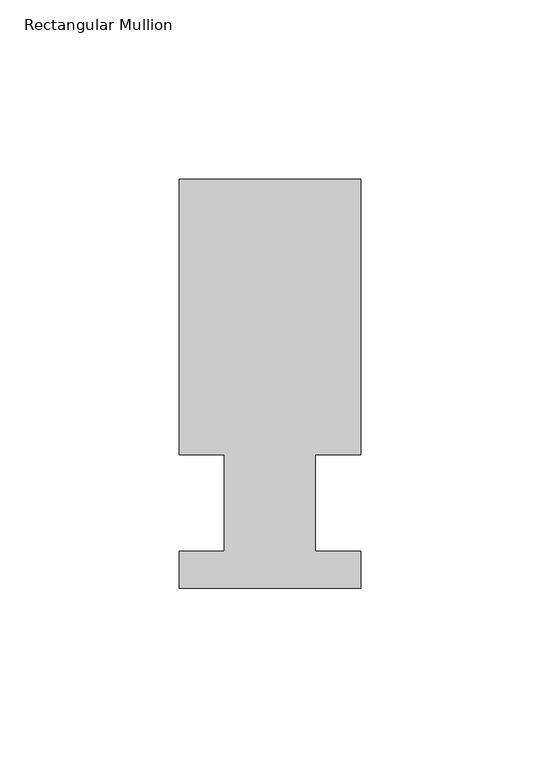
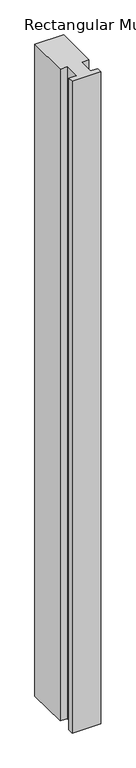
"""IFC4 building model written with IfcOpenShell, lengths in millimetres: member geometry, Rectangular Mullion."""

import ifcopenshell
import ifcopenshell.guid

model = None  # the IFC model being written
_history = None  # IfcOwnerHistory: only IFC2X3 demands one
_inside = {}  # id of a spatial element -> (the spatial element, [elements in it])
_under = {}  # id of a project, library or spatial element -> (it, [spatial elements below it])
_declared = {}  # id of a project -> (the project, [libraries it declares])
_typed = {}  # id of a type object -> (the type object, [elements of that type])
_made_of = {}  # id of a material, layer set ... -> (it, [elements and type objects made of it])


def new_model(schema):
    """Start an empty IFC model of exactly this schema.

    Asked for "IFC4X3", IfcOpenShell would pick the latest addendum, in which some entities
    have other attributes; the version numbers below select the first issue.
    IFC2X3 requires an IfcOwnerHistory on every rooted entity: one is made here for all.
    """
    global model, _history
    if schema == "IFC4X3":
        model = ifcopenshell.file(schema_version=(4, 3, 0, 0))
    else:
        model = ifcopenshell.file(schema=schema)
    _inside.clear()
    _under.clear()
    _declared.clear()
    _typed.clear()
    _made_of.clear()
    _history = None
    if model.schema == "IFC2X3":
        org = make("IfcOrganization", Name="unknown")
        user = make(
            "IfcPersonAndOrganization",
            ThePerson=make("IfcPerson", FamilyName="unknown"),
            TheOrganization=org,
        )
        app = make(
            "IfcApplication",
            ApplicationDeveloper=org,
            Version="unknown",
            ApplicationFullName="unknown",
            ApplicationIdentifier="unknown",
        )
        _history = make(
            "IfcOwnerHistory",
            OwningUser=user,
            OwningApplication=app,
            ChangeAction="ADDED",
            CreationDate=0,
        )
    return model


def make(cls, **values):
    """One entity of the class cls with the attributes given. An attribute that is None is left unset."""
    return model.create_entity(
        cls, **{name: value for name, value in values.items() if value is not None}
    )


def rooted(cls, **values):
    """An entity with a GlobalId (a new one), such as an element, a storey or a relation."""
    return make(cls, GlobalId=ifcopenshell.guid.new(), OwnerHistory=_history, **values)


def si_unit(unit_type, name, prefix=None):
    """IfcSIUnit, for example si_unit("LENGTHUNIT", "METRE", prefix="MILLI")."""
    return make("IfcSIUnit", UnitType=unit_type, Prefix=prefix, Name=name)


def assignment(units):
    """IfcUnitAssignment: the units of a project."""
    return None if units is None else make("IfcUnitAssignment", Units=units)


def point(xyz):
    """IfcCartesianPoint."""
    return None if xyz is None else make("IfcCartesianPoint", Coordinates=xyz)


def direction(xyz):
    """IfcDirection."""
    return None if xyz is None else make("IfcDirection", DirectionRatios=xyz)


def frame(location, z_axis=None, x_axis=None):
    """IfcAxis2Placement3D, a coordinate frame: its origin and axes. An axis left out is left unset."""
    return make(
        "IfcAxis2Placement3D",
        Location=point(location),
        Axis=direction(z_axis),
        RefDirection=direction(x_axis),
    )


def origin():
    """The frame at (0, 0, 0) with its axes left unset."""
    return frame((0.0, 0.0, 0.0))


def place(relative_to, where):
    """IfcLocalPlacement: puts the frame where relative to a parent placement (None: the world)."""
    return make(
        "IfcLocalPlacement", PlacementRelTo=relative_to, RelativePlacement=where
    )


def context(
    kind, dimensions, precision=None, world=None, true_north=None, identifier=None
):
    """IfcGeometricRepresentationContext, for example the 3D "Model" context."""
    return make(
        "IfcGeometricRepresentationContext",
        ContextIdentifier=identifier,
        ContextType=kind,
        CoordinateSpaceDimension=dimensions,
        Precision=precision,
        WorldCoordinateSystem=world,
        TrueNorth=true_north,
    )


def project(units=None, contexts=None):
    """IfcProject with its units and contexts."""
    return rooted(
        "IfcProject",
        Name="project",
        RepresentationContexts=contexts,
        UnitsInContext=assignment(units),
    )


def spatial(cls, under=None, at=None, **own):
    """A site, building, storey or space (cls), placed at a placement, below another one or the project."""
    s = rooted(cls, ObjectPlacement=at, **own)
    if under is not None:
        _under.setdefault(under.id(), (under, []))[1].append(s)
    return s


def polyline(points):
    """IfcPolyline through the points."""
    return make("IfcPolyline", Points=[point(p) for p in points])


def outline(outer, holes=None, kind="AREA"):
    """IfcArbitraryClosedProfileDef: a profile drawn as a closed curve; with holes, ...WithVoids."""
    if holes is None:
        return make("IfcArbitraryClosedProfileDef", ProfileType=kind, OuterCurve=outer)
    return make(
        "IfcArbitraryProfileDefWithVoids",
        ProfileType=kind,
        OuterCurve=outer,
        InnerCurves=holes,
    )


def extrude(swept, where, along, depth):
    """IfcExtrudedAreaSolid: the profile swept, set in the frame where, extruded along a direction by depth."""
    return make(
        "IfcExtrudedAreaSolid",
        SweptArea=swept,
        Position=where,
        ExtrudedDirection=direction(along),
        Depth=depth,
    )


def shape(context_of_items, identifier, shape_type, items):
    """IfcShapeRepresentation: the items that make up one representation, for example the "Body"."""
    return make(
        "IfcShapeRepresentation",
        ContextOfItems=context_of_items,
        RepresentationIdentifier=identifier,
        RepresentationType=shape_type,
        Items=items,
    )


def source(mapping_origin, context_of_items, identifier, shape_type, items):
    """IfcRepresentationMap: a shape defined once, which mapped items show again and again."""
    return make(
        "IfcRepresentationMap",
        MappingOrigin=mapping_origin,
        MappedRepresentation=shape(context_of_items, identifier, shape_type, items),
    )


def transform(
    local_origin,
    x_axis=None,
    y_axis=None,
    z_axis=None,
    scale=None,
    scale2=None,
    scale3=None,
    uniform=True,
):
    """IfcCartesianTransformationOperator3D, or its non-uniform kind. x_axis, y_axis, z_axis: its Axis1, 2, 3."""
    if uniform:
        return make(
            "IfcCartesianTransformationOperator3D",
            Axis1=direction(x_axis),
            Axis2=direction(y_axis),
            LocalOrigin=point(local_origin),
            Scale=scale,
            Axis3=direction(z_axis),
        )
    return make(
        "IfcCartesianTransformationOperator3DnonUniform",
        Axis1=direction(x_axis),
        Axis2=direction(y_axis),
        LocalOrigin=point(local_origin),
        Scale=scale,
        Axis3=direction(z_axis),
        Scale2=scale2,
        Scale3=scale3,
    )


def mapped(mapping_source, mapping_target):
    """IfcMappedItem: shows the shape of a source again, moved by a transform."""
    return make(
        "IfcMappedItem", MappingSource=mapping_source, MappingTarget=mapping_target
    )


def made_of(thing, what):
    """Note that an element or type object is made of a material, layer set ...; save() writes the relation."""
    if what is not None:
        _made_of.setdefault(what.id(), (what, []))[1].append(thing)
    return thing


def element(
    cls,
    number,
    at=None,
    inside=None,
    cuts=None,
    type_object=None,
    material=None,
    context=None,
    identifier="Body",
    shape_type=None,
    held_by="IfcProductDefinitionShape",
    body=None,
    shapes=None,
    **own,
):
    """One element of the class cls, such as IfcWall. Its Tag is "e" and its number.

    at: its placement. inside: the storey or other place that contains it. cuts: it is an
    opening in that element (IfcRelVoidsElement). A single representation is given by context,
    identifier, shape_type and body (its items); several are given by shapes. held_by: the class
    of the entity that holds the representations. save() writes the other relations.
    """
    e = rooted(cls, Tag="e%d" % number, ObjectPlacement=at, **own)
    if body is not None:
        shapes = [shape(context, identifier, shape_type, body)]
    if shapes is not None:
        e.Representation = make(held_by, Representations=shapes)
    if inside is not None:
        _inside.setdefault(inside.id(), (inside, []))[1].append(e)
    if cuts is not None:
        rooted(
            "IfcRelVoidsElement", RelatingBuildingElement=cuts, RelatedOpeningElement=e
        )
    if type_object is not None:
        _typed.setdefault(type_object.id(), (type_object, []))[1].append(e)
    return made_of(e, material)


def aggregate(whole, parts):
    """IfcRelAggregates: a whole, such as a stair, and the parts it consists of."""
    return rooted("IfcRelAggregates", RelatingObject=whole, RelatedObjects=parts)


def save(model, path):
    """Write the relations noted so far, then the file.

    IfcRelAggregates (storeys below a building ...), IfcRelContainedInSpatialStructure (elements
    in a storey), IfcRelDefinesByType, IfcRelAssociatesMaterial and IfcRelDeclares: one each for
    every whole, place, type object, material and project.
    """
    for whole, parts in _under.values():
        aggregate(whole, parts)
    for where, things in _inside.values():
        rooted(
            "IfcRelContainedInSpatialStructure",
            RelatedElements=things,
            RelatingStructure=where,
        )
    for kind, things in _typed.values():
        rooted("IfcRelDefinesByType", RelatedObjects=things, RelatingType=kind)
    for what, things in _made_of.values():
        rooted("IfcRelAssociatesMaterial", RelatedObjects=things, RelatingMaterial=what)
    for by, libraries in _declared.values():
        rooted("IfcRelDeclares", RelatingContext=by, RelatedDefinitions=libraries)
    model.write(path)


def rectangular_mullion_29ebaf0f(model_context):
    return source(origin(), model_context, "Body", "SweptSolid", [
        extrude(outline(polyline([(29.7344027, 90.4875), (29.7344027, 13.49375), (17.0326322, 13.49375), (17.0326322, -13.49375), (29.7344027, -13.49375), (29.7344027, -23.8125), (-21.0655973, -23.8125), (-21.0655973, -13.49375), (-8.3655973, -13.49375), (-8.3655973, 13.49375), (-21.0655973, 13.49375), (-21.0655973, 90.4875), (29.7344027, 90.4875)])), frame((0.0, 0.0, -1219.2), z_axis=(0.0, 0.0, 1.0), x_axis=(1.0, 0.0, 0.0)), (0.0, 0.0, 1.0), 1219.2),
    ])


if __name__ == "__main__":
    model = new_model("IFC4")
    model_context = context("Model", 3, world=origin())
    ifc_project = project(units=[si_unit("LENGTHUNIT", "METRE", prefix="MILLI")], contexts=[model_context])
    site = spatial("IfcSite", under=ifc_project)
    building = spatial("IfcBuilding", under=site)
    placement = place(None, origin())
    rectangular_mullion_shape = rectangular_mullion_29ebaf0f(model_context)
    element("IfcMember", 1, ObjectType="Rectangular Mullion", at=placement, inside=building, context=model_context, shape_type="MappedRepresentation", body=[
        mapped(rectangular_mullion_shape, transform((0.0, 0.0, 0.0), x_axis=(1.0, 0.0, 0.0), y_axis=(0.0, 1.0, 0.0), z_axis=(0.0, 0.0, 1.0))),
    ])
    save(model, "model.ifc")
